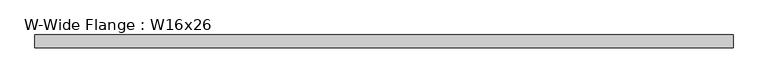
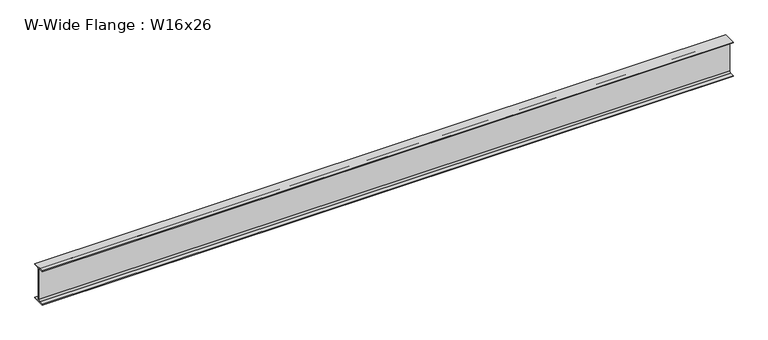
"""IFC4 building model written with IfcOpenShell, lengths in millimetres: beam geometry, W-Wide Flange : W16x26."""

from ifc_helpers import new_model, si_unit, point, frame, frame_2d, origin, place, context, project, spatial, polyline, circle_curve, trimmed, segment, composite_curve, outline, extrude, source, transform, mapped, element, save


def w_wide_flange_w16x26_6c399314(model_context):
    return source(origin(), model_context, "Body", "SweptSolid", [
        extrude(outline(composite_curve([segment(polyline([(69.85, -190.627), (69.85, -199.39), (-69.85, -199.39), (-69.85, -190.627), (-21.3995, -190.627)]), True, "CONTINUOUS"), segment(trimmed(circle_curve(frame_2d((-21.3995, -172.4025)), 18.2245), [point((-21.3995, -190.627))], [point((-3.175, -172.4025))], True, "CARTESIAN"), True, "CONTINUOUS"), segment(polyline([(-3.175, -172.4025), (-3.175, 172.4025)]), True, "CONTINUOUS"), segment(trimmed(circle_curve(frame_2d((-21.3995, 172.4025)), 18.2245), [point((-3.175, 172.4025))], [point((-21.3995, 190.627))], True, "CARTESIAN"), True, "CONTINUOUS"), segment(polyline([(-21.3995, 190.627), (-69.85, 190.627), (-69.85, 199.39), (69.85, 199.39), (69.85, 190.627), (21.3995, 190.627)]), True, "CONTINUOUS"), segment(trimmed(circle_curve(frame_2d((21.3995, 172.4025)), 18.2245), [point((21.3995, 190.627))], [point((3.175, 172.4025))], True, "CARTESIAN"), True, "CONTINUOUS"), segment(polyline([(3.175, 172.4025), (3.175, -172.4025)]), True, "CONTINUOUS"), segment(trimmed(circle_curve(frame_2d((21.3995, -172.4025)), 18.2245), [point((3.175, -172.4025))], [point((21.3995, -190.627))], True, "CARTESIAN"), True, "CONTINUOUS"), segment(polyline([(21.3995, -190.627), (69.85, -190.627)]), True, "CONTINUOUS")], self_intersect=False)), frame((-3840.5215904, 0.0, 0.0), z_axis=(1.0, 0.0, 0.0), x_axis=(0.0, 1.0, 0.0)), (0.0, 0.0, 1.0), 7637.3733771),
    ])


if __name__ == "__main__":
    model = new_model("IFC4")
    model_context = context("Model", 3, world=origin())
    ifc_project = project(units=[si_unit("LENGTHUNIT", "METRE", prefix="MILLI")], contexts=[model_context])
    site = spatial("IfcSite", under=ifc_project)
    building = spatial("IfcBuilding", under=site)
    placement = place(None, origin())
    w_wide_flange_w16x26_shape = w_wide_flange_w16x26_6c399314(model_context)
    element("IfcBeam", 1, ObjectType="W-Wide Flange : W16x26", at=placement, inside=building, context=model_context, shape_type="MappedRepresentation", body=[
        mapped(w_wide_flange_w16x26_shape, transform((0.0, 0.0, 0.0), x_axis=(1.0, 0.0, 0.0), y_axis=(0.0, 1.0, 0.0), z_axis=(0.0, 0.0, 1.0))),
    ])
    save(model, "model.ifc")
